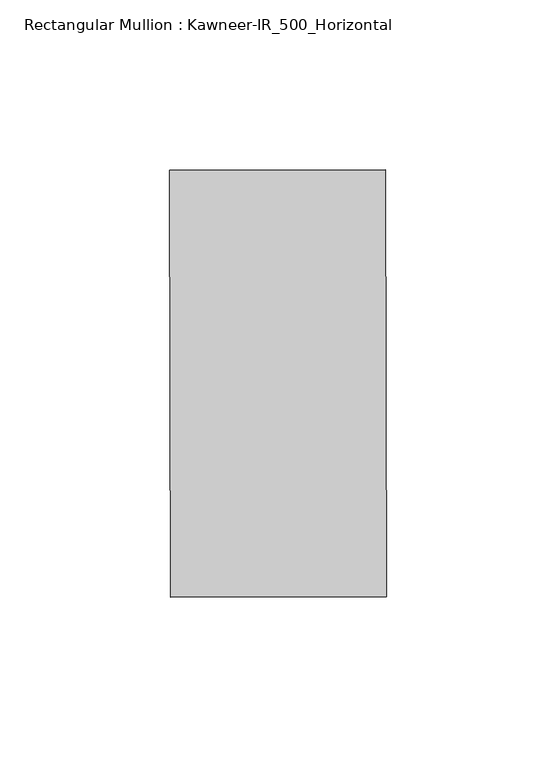
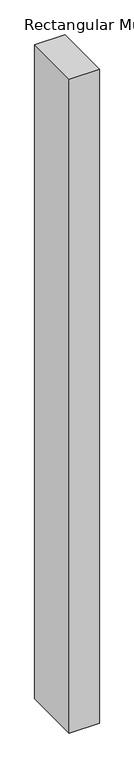
"""IFC4 building model written with IfcOpenShell, lengths in millimetres: member geometry, Rectangular Mullion : Kawneer-IR_500_Horizontal."""

from ifc_helpers import new_model, si_unit, frame, origin, place, context, project, spatial, polyline, outline, extrude, source, transform, mapped, element, save


def rectangular_mullion_kawneer_ir_500_horizontal_35b502a4(model_context):
    return source(origin(), model_context, "Body", "SweptSolid", [
        extrude(outline(polyline([(-33.2388559, 61.4605), (30.381294, 61.5821618), (30.6218262, -64.1984082), (-32.9983238, -64.32007), (-33.2388559, 61.4605)])), frame((0.0, 0.0, -1460.3797337), z_axis=(0.0, 0.0, 1.0), x_axis=(1.0, 0.0, 0.0)), (0.0, 0.0, 1.0), 1460.3797337),
    ])


if __name__ == "__main__":
    model = new_model("IFC4")
    model_context = context("Model", 3, world=origin())
    ifc_project = project(units=[si_unit("LENGTHUNIT", "METRE", prefix="MILLI")], contexts=[model_context])
    site = spatial("IfcSite", under=ifc_project)
    building = spatial("IfcBuilding", under=site)
    placement = place(None, origin())
    rectangular_mullion_kawneer_ir_500_horizontal_shape = rectangular_mullion_kawneer_ir_500_horizontal_35b502a4(model_context)
    element("IfcMember", 1, ObjectType="Rectangular Mullion : Kawneer-IR_500_Horizontal", at=placement, inside=building, context=model_context, shape_type="MappedRepresentation", body=[
        mapped(rectangular_mullion_kawneer_ir_500_horizontal_shape, transform((0.0, 0.0, 0.0), x_axis=(1.0, 0.0, 0.0), y_axis=(0.0, 1.0, 0.0), z_axis=(0.0, 0.0, 1.0))),
    ])
    save(model, "model.ifc")
